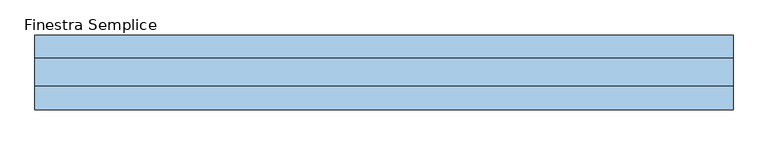
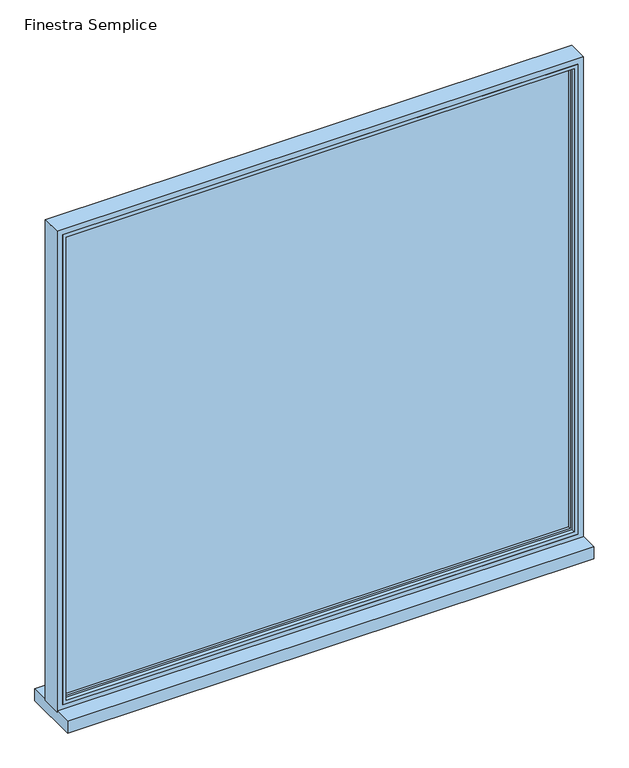
"""IFC4 building model written with IfcOpenShell, lengths in millimetres: window geometry, Finestra Semplice."""

from ifc_helpers import new_model, si_unit, frame, origin, place, context, project, spatial, polyline, ellipse_curve, outline, extrude, faceted_brep, source, transform, mapped, element, save
from ifc_brep_helpers import plane_surface, cylinder_surface, advanced_brep


def finestra_semplice_fad65ecb(model_context):
    return source(origin(), model_context, "Body", "SolidModel", [
        extrude(outline(polyline([(670.0, -3.0), (-670.0, -3.0), (-670.0, 9.8627388), (670.0, 9.8627388), (670.0, -3.0)])), frame((0.0, 0.0, 830.0), z_axis=(0.0, 0.0, 1.0), x_axis=(1.0, 0.0, 0.0)), (0.0, 0.0, 1.0), 1290.0),
        faceted_brep([(-685.0, -20.0, 2135.0), (-685.0, 20.0, 2135.0), (-685.0, 20.0, 815.0), (-685.0, -20.0, 815.0), (685.0, 20.0, 2135.0), (685.0, 20.0, 815.0), (-670.0, 20.0, 2120.0), (-670.0, 20.0, 830.0), (670.0, 20.0, 830.0), (670.0, 20.0, 2120.0), (685.0, -20.0, 815.0), (685.0, -20.0, 2135.0), (675.0, -20.0, 2125.0), (675.0, -20.0, 825.0), (-675.0, -20.0, 825.0), (-675.0, -20.0, 2125.0), (-675.0, -10.0, 2125.0), (-675.0, -10.0, 825.0), (675.0, -10.0, 825.0), (675.0, -10.0, 2125.0), (670.0, -10.0, 2120.0), (670.0, -10.0, 830.0), (-670.0, -10.0, 830.0), (-670.0, -10.0, 2120.0)], [[[0, 1, 2, 3]], [[4, 5, 2, 1], [6, 7, 8, 9]], [[3, 2, 5, 10]], [[0, 3, 10, 11], [12, 13, 14, 15]], [[16, 15, 14, 17]], [[17, 14, 13, 18]], [[16, 17, 18, 19], [20, 21, 22, 23]], [[6, 23, 22, 7]], [[7, 22, 21, 8]], [[10, 5, 4, 11]], [[18, 13, 12, 19]], [[8, 21, 20, 9]], [[11, 4, 1, 0]], [[19, 12, 15, 16]], [[9, 20, 23, 6]]]),
        advanced_brep(
        [(-700.0, 35.0, 2150.0), (-700.0, 35.0, 800.0), (-700.0, -20.0, 800.0), (-700.0, -20.0, 2150.0), (700.0, 35.0, 2150.0), (700.0, 35.0, 800.0), (-680.0, 35.0, 820.0), (680.0, 35.0, 820.0), (680.0, 35.0, 2130.0), (-680.0, 35.0, 2130.0), (700.0, -20.0, 800.0), (700.0, -20.0, 2150.0), (-685.0, -20.0, 2135.0), (685.0, -20.0, 2135.0), (685.0, -20.0, 815.0), (-685.0, -20.0, 815.0), (-685.0, 20.0, 2135.0), (-685.0, 20.0, 815.0), (685.0, 20.0, 815.0), (685.0, 20.0, 2135.0), (-675.0, 20.0, 2125.0), (675.0, 20.0, 2125.0), (675.0, 20.0, 825.0), (-675.0, 20.0, 825.0), (-675.0, 30.0, 2125.0), (-675.0, 30.0, 825.0), (675.0, 30.0, 825.0), (675.0, 30.0, 2125.0)],
        [
            (0, 1),
            (1, 2),
            (2, 3),
            (3, 0),
            (0, 4),
            (4, 5),
            (5, 1),
            (6, 7),
            (7, 8),
            (8, 9),
            (9, 6),
            (5, 10),
            (10, 2),
            (10, 11),
            (11, 3),
            (12, 13),
            (13, 14),
            (14, 15),
            (15, 12),
            (16, 12),
            (15, 17),
            (17, 16),
            (14, 18),
            (18, 17),
            (18, 19),
            (19, 16),
            (20, 21),
            (21, 22),
            (22, 23),
            (23, 20),
            (24, 20),
            (23, 25),
            (25, 24),
            (22, 26),
            (26, 25),
            (9, 24, ellipse_curve(frame((-680.0, 30.0, 2130.0), z_axis=(-0.7071067811865475, 0.0, -0.7071067811865475), x_axis=(-0.7071067811865474, 0.0, 0.7071067811865476)), 7.0710678, 5.0)),
            (25, 6, ellipse_curve(frame((-680.0, 30.0, 820.0), z_axis=(-0.7071067811865475, 0.0, 0.7071067811865475), x_axis=(0.7071067811865474, 0.0, 0.7071067811865476)), 7.0710678, 5.0)),
            (26, 7, ellipse_curve(frame((680.0, 30.0, 820.0), z_axis=(-0.7071067811865475, 0.0, -0.7071067811865475), x_axis=(-0.7071067811865476, 0.0, 0.7071067811865474)), 7.0710678, 5.0)),
            (4, 11),
            (13, 19),
            (21, 27),
            (27, 26),
            (27, 8, ellipse_curve(frame((680.0, 30.0, 2130.0), z_axis=(0.7071067811865475, 0.0, -0.7071067811865475), x_axis=(-0.7071067811865474, 0.0, -0.7071067811865476)), 7.0710678, 5.0)),
            (24, 27),
        ],
        [
            plane_surface(frame((-700.0, 0.0, 2150.0), z_axis=(-1.0, 0.0, 0.0), x_axis=(0.0, 0.0, -1.0))),
            plane_surface(frame((680.0, 35.0, 2130.0), z_axis=(0.0, 1.0, 0.0), x_axis=(-1.0, 0.0, 0.0))),
            plane_surface(frame((-700.0, 0.0, 800.0), z_axis=(0.0, 0.0, -1.0), x_axis=(1.0, 0.0, 0.0))),
            plane_surface(frame((700.0, -20.0, 2150.0), z_axis=(0.0, -1.0, 0.0), x_axis=(-1.0, 0.0, 0.0))),
            plane_surface(frame((-685.0, -20.0, 2135.0), z_axis=(1.0, 0.0, 0.0), x_axis=(0.0, 0.0, -1.0))),
            plane_surface(frame((-685.0, -20.0, 815.0), z_axis=(0.0, 0.0, 1.0), x_axis=(1.0, 0.0, 0.0))),
            plane_surface(frame((685.0, 20.0, 2135.0), z_axis=(0.0, -1.0, 0.0), x_axis=(-1.0, 0.0, 0.0))),
            plane_surface(frame((-675.0, 20.0, 2125.0), z_axis=(1.0, 0.0, 0.0), x_axis=(0.0, 0.0, -1.0))),
            plane_surface(frame((-675.0, 20.0, 825.0), z_axis=(0.0, 0.0, 1.0), x_axis=(1.0, 0.0, 0.0))),
            cylinder_surface(frame((-680.0, 30.0, 2150.0), z_axis=(0.0, 0.0, 1.0), x_axis=(1.0, 0.0, 0.0)), 5.0),
            cylinder_surface(frame((-700.0, 30.0, 820.0), z_axis=(-1.0, 0.0, 0.0), x_axis=(0.0, 0.0, 1.0)), 5.0),
            plane_surface(frame((700.0, 0.0, 800.0), z_axis=(1.0, 0.0, 0.0), x_axis=(0.0, 0.0, 1.0))),
            plane_surface(frame((685.0, -20.0, 815.0), z_axis=(-1.0, 0.0, 0.0), x_axis=(0.0, 0.0, 1.0))),
            plane_surface(frame((675.0, 20.0, 825.0), z_axis=(-1.0, 0.0, 0.0), x_axis=(0.0, 0.0, 1.0))),
            cylinder_surface(frame((680.0, 30.0, 800.0), z_axis=(0.0, 0.0, -1.0), x_axis=(-1.0, 0.0, 0.0)), 5.0),
            plane_surface(frame((700.0, 0.0, 2150.0), z_axis=(0.0, 0.0, 1.0), x_axis=(-1.0, 0.0, 0.0))),
            plane_surface(frame((685.0, -20.0, 2135.0), z_axis=(0.0, 0.0, -1.0), x_axis=(-1.0, 0.0, 0.0))),
            plane_surface(frame((675.0, 20.0, 2125.0), z_axis=(0.0, 0.0, -1.0), x_axis=(-1.0, 0.0, 0.0))),
            cylinder_surface(frame((700.0, 30.0, 2130.0), z_axis=(1.0, 0.0, 0.0), x_axis=(0.0, 0.0, -1.0)), 5.0),
        ],
        [
            (0, [[1, 2, 3, 4]]),
            (1, [[5, 6, 7, -1], [8, 9, 10, 11]]),
            (2, [[-2, -7, 12, 13]]),
            (3, [[-13, 14, 15, -3], [16, 17, 18, 19]]),
            (4, [[20, -19, 21, 22]]),
            (5, [[-21, -18, 23, 24]]),
            (6, [[-24, 25, 26, -22], [27, 28, 29, 30]]),
            (7, [[31, -30, 32, 33]]),
            (8, [[-32, -29, 34, 35]]),
            (9, [[36, -33, 37, -11]]),
            (10, [[-37, -35, 38, -8]]),
            (11, [[-12, -6, 39, -14]]),
            (12, [[-23, -17, 40, -25]]),
            (13, [[-34, -28, 41, 42]]),
            (14, [[-38, -42, 43, -9]]),
            (15, [[-39, -5, -4, -15]]),
            (16, [[-40, -16, -20, -26]]),
            (17, [[-41, -27, -31, 44]]),
            (18, [[-43, -44, -36, -10]]),
        ],
    ),
        extrude(outline(polyline([(700.0, -68.1372612), (-700.0, -68.1372612), (-700.0, 81.8627389), (700.0, 81.8627389), (700.0, -68.1372612)])), frame((0.0, 0.0, 770.0), z_axis=(0.0, 0.0, 1.0), x_axis=(1.0, 0.0, 0.0)), (0.0, 0.0, 1.0), 33.0),
    ])


if __name__ == "__main__":
    model = new_model("IFC4")
    model_context = context("Model", 3, world=origin())
    ifc_project = project(units=[si_unit("LENGTHUNIT", "METRE", prefix="MILLI")], contexts=[model_context])
    site = spatial("IfcSite", under=ifc_project)
    building = spatial("IfcBuilding", under=site)
    placement = place(None, origin())
    finestra_semplice_shape = finestra_semplice_fad65ecb(model_context)
    element("IfcWindow", 1, ObjectType="Finestra Semplice", at=placement, inside=building, context=model_context, shape_type="MappedRepresentation", body=[
        mapped(finestra_semplice_shape, transform((0.0, 0.0, 0.0), x_axis=(1.0, 0.0, 0.0), y_axis=(0.0, 1.0, 0.0), z_axis=(0.0, 0.0, 1.0))),
    ])
    save(model, "model.ifc")
